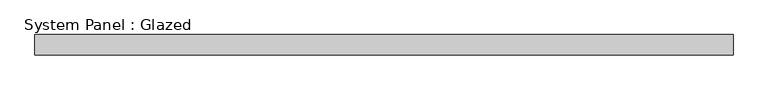
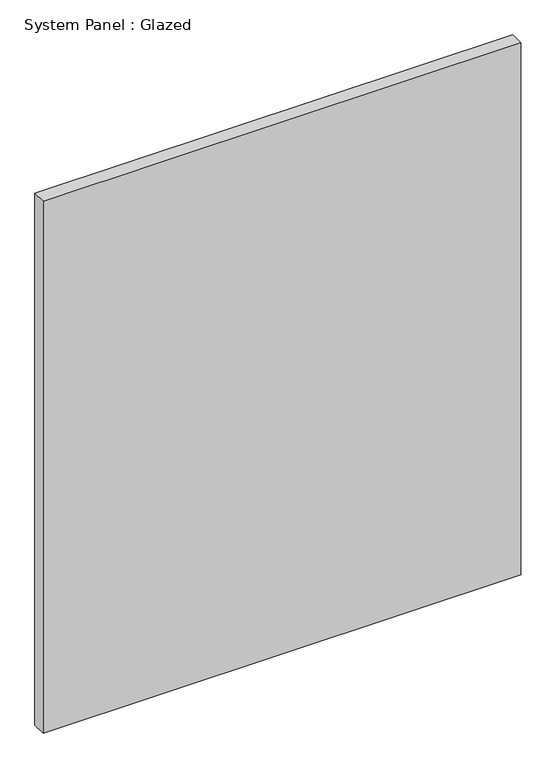
"""IFC4 building model written with IfcOpenShell, lengths in millimetres: plate geometry, System Panel : Glazed."""

from ifc_helpers import new_model, si_unit, origin, origin_with_axes, place, context, project, spatial, polyline, outline, extrude, source, transform, mapped, element, save


def system_panel_glazed_b411e4e5(model_context):
    return source(origin(), model_context, "Body", "SweptSolid", [
        extrude(outline(polyline([(1700.0, 50.0), (-1700.0, 50.0), (-1700.0, 150.0), (1700.0, 150.0), (1700.0, 50.0)])), origin_with_axes(), (0.0, 0.0, 1.0), 4000.0),
    ])


if __name__ == "__main__":
    model = new_model("IFC4")
    model_context = context("Model", 3, world=origin())
    ifc_project = project(units=[si_unit("LENGTHUNIT", "METRE", prefix="MILLI")], contexts=[model_context])
    site = spatial("IfcSite", under=ifc_project)
    building = spatial("IfcBuilding", under=site)
    placement = place(None, origin())
    system_panel_glazed_shape = system_panel_glazed_b411e4e5(model_context)
    element("IfcPlate", 1, ObjectType="System Panel : Glazed", at=placement, inside=building, context=model_context, shape_type="MappedRepresentation", body=[
        mapped(system_panel_glazed_shape, transform((0.0, 0.0, 0.0), x_axis=(1.0, 0.0, 0.0), y_axis=(0.0, 1.0, 0.0), z_axis=(0.0, 0.0, 1.0))),
    ])
    save(model, "model.ifc")
